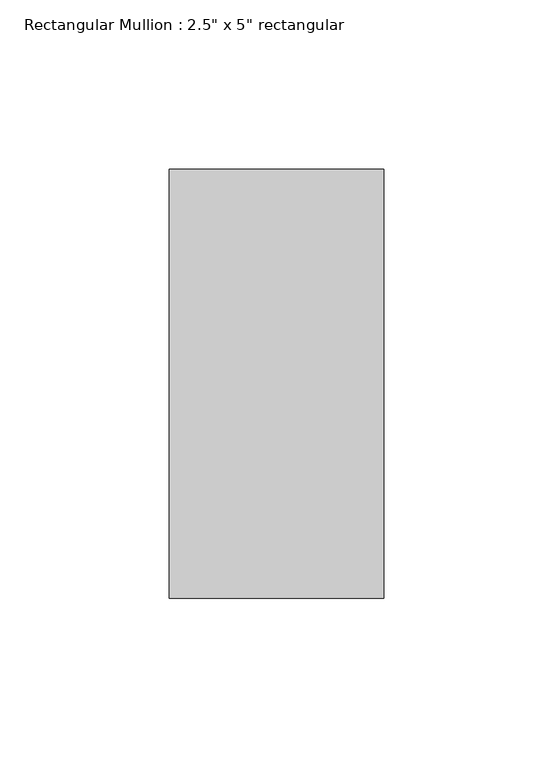
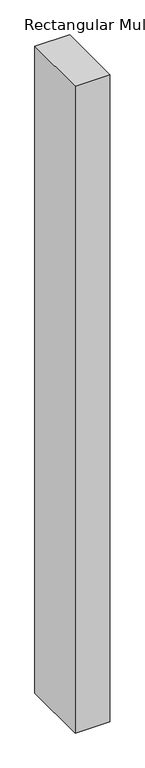
"""IFC4 building model written with IfcOpenShell, lengths in millimetres: member geometry."""

from ifc_helpers import new_model, si_unit, frame, origin, place, context, project, spatial, polyline, outline, extrude, source, transform, mapped, element, save


def member_2c446e45(model_context):
    return source(origin(), model_context, "Body", "SweptSolid", [
        extrude(outline(polyline([(31.75, 63.5), (31.75, -63.5), (-31.75, -63.5), (-31.75, 63.5), (31.75, 63.5)])), frame((0.0, 0.0, -1250.3445452), z_axis=(0.0, 0.0, 1.0), x_axis=(1.0, 0.0, 0.0)), (0.0, 0.0, 1.0), 1250.3445452),
    ])


if __name__ == "__main__":
    model = new_model("IFC4")
    model_context = context("Model", 3, world=origin())
    ifc_project = project(units=[si_unit("LENGTHUNIT", "METRE", prefix="MILLI")], contexts=[model_context])
    site = spatial("IfcSite", under=ifc_project)
    building = spatial("IfcBuilding", under=site)
    placement = place(None, origin())
    member_shape = member_2c446e45(model_context)
    element("IfcMember", 1, ObjectType="Rectangular Mullion : 2.5\" x 5\" rectangular", at=placement, inside=building, context=model_context, shape_type="MappedRepresentation", body=[
        mapped(member_shape, transform((0.0, 0.0, 0.0), x_axis=(1.0, 0.0, 0.0), y_axis=(0.0, 1.0, 0.0), z_axis=(0.0, 0.0, 1.0))),
    ])
    save(model, "model.ifc")
